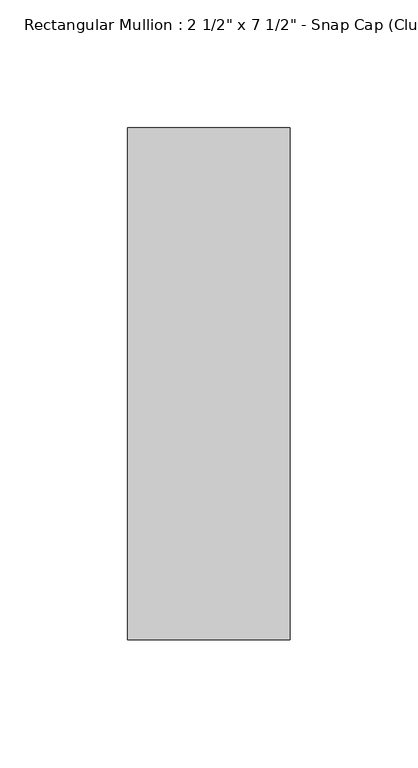
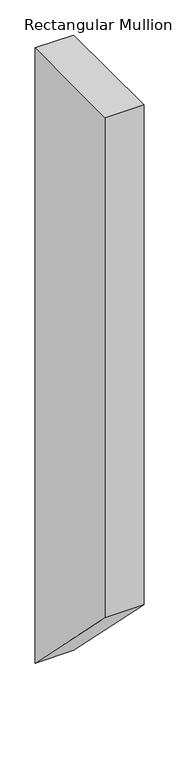
"""IFC4 building model written with IfcOpenShell, lengths in millimetres: member geometry."""

from ifc_helpers import new_model, si_unit, frame, origin, place, context, project, spatial, polyline, outline, extrude, source, transform, mapped, element, save


def member_f85960a3(model_context):
    return source(origin(), model_context, "Body", "SweptSolid", [
        extrude(outline(polyline([(-174.2, 0.0), (25.8, 0.0), (25.8, -1069.0727273), (-174.2, -869.0727273), (-174.2, 0.0)])), frame((-31.75, 0.0, 0.0), z_axis=(1.0, 0.0, 0.0), x_axis=(0.0, 1.0, 0.0)), (0.0, 0.0, 1.0), 63.5),
    ])


if __name__ == "__main__":
    model = new_model("IFC4")
    model_context = context("Model", 3, world=origin())
    ifc_project = project(units=[si_unit("LENGTHUNIT", "METRE", prefix="MILLI")], contexts=[model_context])
    site = spatial("IfcSite", under=ifc_project)
    building = spatial("IfcBuilding", under=site)
    placement = place(None, origin())
    member_shape = member_f85960a3(model_context)
    element("IfcMember", 1, ObjectType="Rectangular Mullion : 2 1/2\" x 7 1/2\" - Snap Cap (Club)", at=placement, inside=building, context=model_context, shape_type="MappedRepresentation", body=[
        mapped(member_shape, transform((0.0, 0.0, 0.0), x_axis=(1.0, 0.0, 0.0), y_axis=(0.0, 1.0, 0.0), z_axis=(0.0, 0.0, 1.0))),
    ])
    save(model, "model.ifc")
